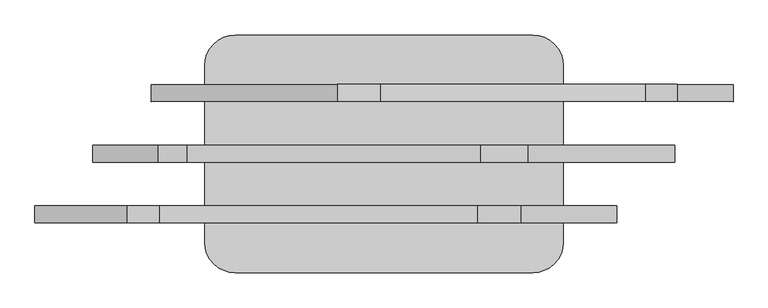
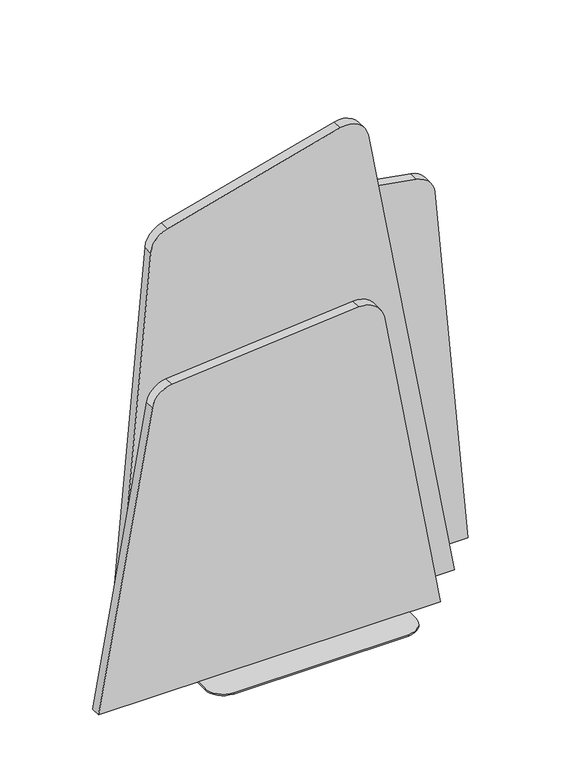
"""IFC4 building model written with IfcOpenShell, lengths in millimetres: furniture geometry."""

from ifc_helpers import new_model, si_unit, point, frame, frame_2d, origin, place, context, project, spatial, polyline, circle_curve, trimmed, segment, composite_curve, outline, extrude, source, transform, mapped, element, save
from ifc_brep_helpers import plane_surface, cylinder_surface, revolved_surface, advanced_brep


def furniture_4a550772(model_context):
    return source(origin(), model_context, "Body", "SolidModel", [
        advanced_brep(
        [(837.7108981, 245.1199219, 4.9986721), (224.7108634, 245.1199219, 4.9986721), (161.2108634, 181.6199219, 4.9986721), (161.2108634, -181.6199219, 4.9986721), (224.7108634, -245.1199219, 4.9986721), (837.7108981, -245.1199219, 4.9986721), (901.2108981, -181.6199219, 4.9986721), (901.2108981, 181.6199219, 4.9986721), (837.7108981, 245.1199219, 0.0), (901.2108981, 181.6199219, 0.0), (901.2108981, -181.6199219, 0.0), (837.7108981, -245.1199219, 0.0), (224.7108634, -245.1199219, 0.0), (161.2108634, -181.6199219, 0.0), (161.2108634, 181.6199219, 0.0), (224.7108634, 245.1199219, 0.0), (297.2534917, 124.9425155, 0.0), (284.5534917, 124.9425155, 0.0), (777.6735671, 124.9425155, 0.0), (764.9735671, 124.9425155, 0.0), (657.0235671, 124.9425155, 0.0), (644.3235671, 124.9425155, 0.0), (417.9034917, 124.9425155, 0.0), (405.2034917, 124.9425155, 0.0), (537.4635294, 124.9425155, 0.0), (524.7635294, 124.9425155, 0.0), (297.4896561, 0.6579051, 0.0), (284.7896561, 0.6579051, 0.0), (777.9097315, 0.6579051, 0.0), (765.2097315, 0.6579051, 0.0), (657.2597315, 0.6579051, 0.0), (644.5597315, 0.6579051, 0.0), (418.1396561, 0.6579051, 0.0), (405.4396561, 0.6579051, 0.0), (537.6996938, 0.6579051, 0.0), (524.9996938, 0.6579051, 0.0), (297.4896561, -125.0413614, 0.0), (284.7896561, -125.0413614, 0.0), (777.9097315, -125.0413614, 0.0), (765.2097315, -125.0413614, 0.0), (657.2597315, -125.0413614, 0.0), (644.5597315, -125.0413614, 0.0), (418.1396561, -125.0413614, 0.0), (405.4396561, -125.0413614, 0.0), (537.6996938, -125.0413614, 0.0), (524.9996938, -125.0413614, 0.0), (297.2534917, 124.9425155, 3.0348604), (284.5534917, 124.9425155, 3.0348604), (777.6735671, 124.9425155, 3.0348604), (764.9735671, 124.9425155, 3.0348604), (657.0235671, 124.9425155, 3.0348604), (644.3235671, 124.9425155, 3.0348604), (417.9034917, 124.9425155, 3.0348604), (405.2034917, 124.9425155, 3.0348604), (537.4635294, 124.9425155, 3.0348604), (524.7635294, 124.9425155, 3.0348604), (297.4896561, 0.6579051, 3.0348604), (284.7896561, 0.6579051, 3.0348604), (777.9097315, 0.6579051, 3.0348604), (765.2097315, 0.6579051, 3.0348604), (657.2597315, 0.6579051, 3.0348604), (644.5597315, 0.6579051, 3.0348604), (418.1396561, 0.6579051, 3.0348604), (405.4396561, 0.6579051, 3.0348604), (537.6996938, 0.6579051, 3.0348604), (524.9996938, 0.6579051, 3.0348604), (297.4896561, -125.0413614, 3.0348604), (284.7896561, -125.0413614, 3.0348604), (777.9097315, -125.0413614, 3.0348604), (765.2097315, -125.0413614, 3.0348604), (657.2597315, -125.0413614, 3.0348604), (644.5597315, -125.0413614, 3.0348604), (418.1396561, -125.0413614, 3.0348604), (405.4396561, -125.0413614, 3.0348604), (537.6996938, -125.0413614, 3.0348604), (524.9996938, -125.0413614, 3.0348604)],
        [
            (0, 1),
            (1, 2, circle_curve(frame((224.7108634, 181.6199219, 4.9986721), z_axis=(0.0, 0.0, 1.0), x_axis=(-1.0, 0.0, 0.0)), 63.5)),
            (2, 3),
            (3, 4, circle_curve(frame((224.7108634, -181.6199219, 4.9986721), z_axis=(0.0, 0.0, 1.0), x_axis=(-1.0, 0.0, 0.0)), 63.5)),
            (4, 5),
            (5, 6, circle_curve(frame((837.7108981, -181.6199219, 4.9986721), z_axis=(0.0, 0.0, 1.0), x_axis=(-1.0, 0.0, 0.0)), 63.5)),
            (6, 7),
            (7, 0, circle_curve(frame((837.7108981, 181.6199219, 4.9986721), z_axis=(0.0, 0.0, 1.0), x_axis=(-1.0, 0.0, 0.0)), 63.5)),
            (8, 9, circle_curve(frame((837.7108981, 181.6199219, 0.0), z_axis=(0.0, 0.0, -1.0), x_axis=(-1.0, 0.0, 0.0)), 63.5)),
            (9, 10),
            (10, 11, circle_curve(frame((837.7108981, -181.6199219, 0.0), z_axis=(0.0, 0.0, -1.0), x_axis=(-1.0, 0.0, 0.0)), 63.5)),
            (11, 12),
            (12, 13, circle_curve(frame((224.7108634, -181.6199219, 0.0), z_axis=(0.0, 0.0, -1.0), x_axis=(-1.0, 0.0, 0.0)), 63.5)),
            (13, 14),
            (14, 15, circle_curve(frame((224.7108634, 181.6199219, 0.0), z_axis=(0.0, 0.0, -1.0), x_axis=(-1.0, 0.0, 0.0)), 63.5)),
            (15, 8),
            (16, 17, circle_curve(frame((290.9034917, 124.9425155, 0.0), z_axis=(0.0, 0.0, 1.0), x_axis=(-1.0, 0.0, 0.0)), 6.35)),
            (17, 16, circle_curve(frame((290.9034917, 124.9425155, 0.0), z_axis=(0.0, 0.0, 1.0), x_axis=(-1.0, 0.0, 0.0)), 6.35)),
            (18, 19, circle_curve(frame((771.3235671, 124.9425155, 0.0), z_axis=(0.0, 0.0, 1.0), x_axis=(-1.0, 0.0, 0.0)), 6.35)),
            (19, 18, circle_curve(frame((771.3235671, 124.9425155, 0.0), z_axis=(0.0, 0.0, 1.0), x_axis=(-1.0, 0.0, 0.0)), 6.35)),
            (20, 21, circle_curve(frame((650.6735671, 124.9425155, 0.0), z_axis=(0.0, 0.0, 1.0), x_axis=(-1.0, 0.0, 0.0)), 6.35)),
            (21, 20, circle_curve(frame((650.6735671, 124.9425155, 0.0), z_axis=(0.0, 0.0, 1.0), x_axis=(-1.0, 0.0, 0.0)), 6.35)),
            (22, 23, circle_curve(frame((411.5534917, 124.9425155, 0.0), z_axis=(0.0, 0.0, 1.0), x_axis=(-1.0, 0.0, 0.0)), 6.35)),
            (23, 22, circle_curve(frame((411.5534917, 124.9425155, 0.0), z_axis=(0.0, 0.0, 1.0), x_axis=(-1.0, 0.0, 0.0)), 6.35)),
            (24, 25, circle_curve(frame((531.1135294, 124.9425155, 0.0), z_axis=(0.0, 0.0, 1.0), x_axis=(-1.0, 0.0, 0.0)), 6.35)),
            (25, 24, circle_curve(frame((531.1135294, 124.9425155, 0.0), z_axis=(0.0, 0.0, 1.0), x_axis=(-1.0, 0.0, 0.0)), 6.35)),
            (26, 27, circle_curve(frame((291.1396561, 0.6579051, 0.0), z_axis=(0.0, 0.0, 1.0), x_axis=(-1.0, 0.0, 0.0)), 6.35)),
            (27, 26, circle_curve(frame((291.1396561, 0.6579051, 0.0), z_axis=(0.0, 0.0, 1.0), x_axis=(-1.0, 0.0, 0.0)), 6.35)),
            (28, 29, circle_curve(frame((771.5597315, 0.6579051, 0.0), z_axis=(0.0, 0.0, 1.0), x_axis=(-1.0, 0.0, 0.0)), 6.35)),
            (29, 28, circle_curve(frame((771.5597315, 0.6579051, 0.0), z_axis=(0.0, 0.0, 1.0), x_axis=(-1.0, 0.0, 0.0)), 6.35)),
            (30, 31, circle_curve(frame((650.9097315, 0.6579051, 0.0), z_axis=(0.0, 0.0, 1.0), x_axis=(-1.0, 0.0, 0.0)), 6.35)),
            (31, 30, circle_curve(frame((650.9097315, 0.6579051, 0.0), z_axis=(0.0, 0.0, 1.0), x_axis=(-1.0, 0.0, 0.0)), 6.35)),
            (32, 33, circle_curve(frame((411.7896561, 0.6579051, 0.0), z_axis=(0.0, 0.0, 1.0), x_axis=(-1.0, 0.0, 0.0)), 6.35)),
            (33, 32, circle_curve(frame((411.7896561, 0.6579051, 0.0), z_axis=(0.0, 0.0, 1.0), x_axis=(-1.0, 0.0, 0.0)), 6.35)),
            (34, 35, circle_curve(frame((531.3496938, 0.6579051, 0.0), z_axis=(0.0, 0.0, 1.0), x_axis=(-1.0, 0.0, 0.0)), 6.35)),
            (35, 34, circle_curve(frame((531.3496938, 0.6579051, 0.0), z_axis=(0.0, 0.0, 1.0), x_axis=(-1.0, 0.0, 0.0)), 6.35)),
            (36, 37, circle_curve(frame((291.1396561, -125.0413614, 0.0), z_axis=(0.0, 0.0, 1.0), x_axis=(-1.0, 0.0, 0.0)), 6.35)),
            (37, 36, circle_curve(frame((291.1396561, -125.0413614, 0.0), z_axis=(0.0, 0.0, 1.0), x_axis=(-1.0, 0.0, 0.0)), 6.35)),
            (38, 39, circle_curve(frame((771.5597315, -125.0413614, 0.0), z_axis=(0.0, 0.0, 1.0), x_axis=(-1.0, 0.0, 0.0)), 6.35)),
            (39, 38, circle_curve(frame((771.5597315, -125.0413614, 0.0), z_axis=(0.0, 0.0, 1.0), x_axis=(-1.0, 0.0, 0.0)), 6.35)),
            (40, 41, circle_curve(frame((650.9097315, -125.0413614, 0.0), z_axis=(0.0, 0.0, 1.0), x_axis=(-1.0, 0.0, 0.0)), 6.35)),
            (41, 40, circle_curve(frame((650.9097315, -125.0413614, 0.0), z_axis=(0.0, 0.0, 1.0), x_axis=(-1.0, 0.0, 0.0)), 6.35)),
            (42, 43, circle_curve(frame((411.7896561, -125.0413614, 0.0), z_axis=(0.0, 0.0, 1.0), x_axis=(-1.0, 0.0, 0.0)), 6.35)),
            (43, 42, circle_curve(frame((411.7896561, -125.0413614, 0.0), z_axis=(0.0, 0.0, 1.0), x_axis=(-1.0, 0.0, 0.0)), 6.35)),
            (44, 45, circle_curve(frame((531.3496938, -125.0413614, 0.0), z_axis=(0.0, 0.0, 1.0), x_axis=(-1.0, 0.0, 0.0)), 6.35)),
            (45, 44, circle_curve(frame((531.3496938, -125.0413614, 0.0), z_axis=(0.0, 0.0, 1.0), x_axis=(-1.0, 0.0, 0.0)), 6.35)),
            (0, 8),
            (15, 1),
            (14, 2),
            (13, 3),
            (12, 4),
            (11, 5),
            (10, 6),
            (9, 7),
            (46, 47, circle_curve(frame((290.9034917, 124.9425155, 3.0348604), z_axis=(0.0, 0.0, -1.0), x_axis=(-1.0, 0.0, 0.0)), 6.35)),
            (47, 46, circle_curve(frame((290.9034917, 124.9425155, 3.0348604), z_axis=(0.0, 0.0, -1.0), x_axis=(-1.0, 0.0, 0.0)), 6.35)),
            (48, 49, circle_curve(frame((771.3235671, 124.9425155, 3.0348604), z_axis=(0.0, 0.0, -1.0), x_axis=(-1.0, 0.0, 0.0)), 6.35)),
            (49, 48, circle_curve(frame((771.3235671, 124.9425155, 3.0348604), z_axis=(0.0, 0.0, -1.0), x_axis=(-1.0, 0.0, 0.0)), 6.35)),
            (50, 51, circle_curve(frame((650.6735671, 124.9425155, 3.0348604), z_axis=(0.0, 0.0, -1.0), x_axis=(-1.0, 0.0, 0.0)), 6.35)),
            (51, 50, circle_curve(frame((650.6735671, 124.9425155, 3.0348604), z_axis=(0.0, 0.0, -1.0), x_axis=(-1.0, 0.0, 0.0)), 6.35)),
            (52, 53, circle_curve(frame((411.5534917, 124.9425155, 3.0348604), z_axis=(0.0, 0.0, -1.0), x_axis=(-1.0, 0.0, 0.0)), 6.35)),
            (53, 52, circle_curve(frame((411.5534917, 124.9425155, 3.0348604), z_axis=(0.0, 0.0, -1.0), x_axis=(-1.0, 0.0, 0.0)), 6.35)),
            (54, 55, circle_curve(frame((531.1135294, 124.9425155, 3.0348604), z_axis=(0.0, 0.0, -1.0), x_axis=(-1.0, 0.0, 0.0)), 6.35)),
            (55, 54, circle_curve(frame((531.1135294, 124.9425155, 3.0348604), z_axis=(0.0, 0.0, -1.0), x_axis=(-1.0, 0.0, 0.0)), 6.35)),
            (56, 57, circle_curve(frame((291.1396561, 0.6579051, 3.0348604), z_axis=(0.0, 0.0, -1.0), x_axis=(-1.0, 0.0, 0.0)), 6.35)),
            (57, 56, circle_curve(frame((291.1396561, 0.6579051, 3.0348604), z_axis=(0.0, 0.0, -1.0), x_axis=(-1.0, 0.0, 0.0)), 6.35)),
            (58, 59, circle_curve(frame((771.5597315, 0.6579051, 3.0348604), z_axis=(0.0, 0.0, -1.0), x_axis=(-1.0, 0.0, 0.0)), 6.35)),
            (59, 58, circle_curve(frame((771.5597315, 0.6579051, 3.0348604), z_axis=(0.0, 0.0, -1.0), x_axis=(-1.0, 0.0, 0.0)), 6.35)),
            (60, 61, circle_curve(frame((650.9097315, 0.6579051, 3.0348604), z_axis=(0.0, 0.0, -1.0), x_axis=(-1.0, 0.0, 0.0)), 6.35)),
            (61, 60, circle_curve(frame((650.9097315, 0.6579051, 3.0348604), z_axis=(0.0, 0.0, -1.0), x_axis=(-1.0, 0.0, 0.0)), 6.35)),
            (62, 63, circle_curve(frame((411.7896561, 0.6579051, 3.0348604), z_axis=(0.0, 0.0, -1.0), x_axis=(-1.0, 0.0, 0.0)), 6.35)),
            (63, 62, circle_curve(frame((411.7896561, 0.6579051, 3.0348604), z_axis=(0.0, 0.0, -1.0), x_axis=(-1.0, 0.0, 0.0)), 6.35)),
            (64, 65, circle_curve(frame((531.3496938, 0.6579051, 3.0348604), z_axis=(0.0, 0.0, -1.0), x_axis=(-1.0, 0.0, 0.0)), 6.35)),
            (65, 64, circle_curve(frame((531.3496938, 0.6579051, 3.0348604), z_axis=(0.0, 0.0, -1.0), x_axis=(-1.0, 0.0, 0.0)), 6.35)),
            (66, 67, circle_curve(frame((291.1396561, -125.0413614, 3.0348604), z_axis=(0.0, 0.0, -1.0), x_axis=(-1.0, 0.0, 0.0)), 6.35)),
            (67, 66, circle_curve(frame((291.1396561, -125.0413614, 3.0348604), z_axis=(0.0, 0.0, -1.0), x_axis=(-1.0, 0.0, 0.0)), 6.35)),
            (68, 69, circle_curve(frame((771.5597315, -125.0413614, 3.0348604), z_axis=(0.0, 0.0, -1.0), x_axis=(-1.0, 0.0, 0.0)), 6.35)),
            (69, 68, circle_curve(frame((771.5597315, -125.0413614, 3.0348604), z_axis=(0.0, 0.0, -1.0), x_axis=(-1.0, 0.0, 0.0)), 6.35)),
            (70, 71, circle_curve(frame((650.9097315, -125.0413614, 3.0348604), z_axis=(0.0, 0.0, -1.0), x_axis=(-1.0, 0.0, 0.0)), 6.35)),
            (71, 70, circle_curve(frame((650.9097315, -125.0413614, 3.0348604), z_axis=(0.0, 0.0, -1.0), x_axis=(-1.0, 0.0, 0.0)), 6.35)),
            (72, 73, circle_curve(frame((411.7896561, -125.0413614, 3.0348604), z_axis=(0.0, 0.0, -1.0), x_axis=(-1.0, 0.0, 0.0)), 6.35)),
            (73, 72, circle_curve(frame((411.7896561, -125.0413614, 3.0348604), z_axis=(0.0, 0.0, -1.0), x_axis=(-1.0, 0.0, 0.0)), 6.35)),
            (74, 75, circle_curve(frame((531.3496938, -125.0413614, 3.0348604), z_axis=(0.0, 0.0, -1.0), x_axis=(-1.0, 0.0, 0.0)), 6.35)),
            (75, 74, circle_curve(frame((531.3496938, -125.0413614, 3.0348604), z_axis=(0.0, 0.0, -1.0), x_axis=(-1.0, 0.0, 0.0)), 6.35)),
            (47, 17),
            (16, 46),
            (49, 19),
            (18, 48),
            (51, 21),
            (20, 50),
            (53, 23),
            (22, 52),
            (55, 25),
            (24, 54),
            (57, 27),
            (26, 56),
            (59, 29),
            (28, 58),
            (61, 31),
            (30, 60),
            (63, 33),
            (32, 62),
            (65, 35),
            (34, 64),
            (67, 37),
            (36, 66),
            (69, 39),
            (38, 68),
            (71, 41),
            (40, 70),
            (73, 43),
            (42, 72),
            (75, 45),
            (44, 74),
        ],
        [
            plane_surface(frame((224.7108634, 245.1199219, 4.9986721), z_axis=(0.0, 0.0, 1.0), x_axis=(-1.0, 0.0, 0.0))),
            plane_surface(frame((224.7108634, 245.1199219, 0.0), z_axis=(0.0, 0.0, -1.0), x_axis=(1.0, 0.0, 0.0))),
            plane_surface(frame((837.7108981, 245.1199219, 4.9986721), z_axis=(0.0, 1.0, 0.0), x_axis=(0.0, 0.0, -1.0))),
            cylinder_surface(frame((224.7108634, 181.6199219, 0.0), z_axis=(0.0, 0.0, 1.0), x_axis=(-1.0, 0.0, 0.0)), 63.5),
            plane_surface(frame((161.2108634, 181.6199219, 4.9986721), z_axis=(-1.0, 0.0, 0.0), x_axis=(0.0, 0.0, -1.0))),
            cylinder_surface(frame((224.7108634, -181.6199219, 0.0), z_axis=(0.0, 0.0, 1.0), x_axis=(-1.0, 0.0, 0.0)), 63.5),
            plane_surface(frame((224.7108634, -245.1199219, 4.9986721), z_axis=(0.0, -1.0, 0.0), x_axis=(0.0, 0.0, -1.0))),
            cylinder_surface(frame((837.7108981, -181.6199219, 0.0), z_axis=(0.0, 0.0, 1.0), x_axis=(-1.0, 0.0, 0.0)), 63.5),
            plane_surface(frame((901.2108981, -181.6199219, 4.9986721), z_axis=(1.0, 0.0, 0.0), x_axis=(0.0, 0.0, -1.0))),
            cylinder_surface(frame((837.7108981, 181.6199219, 0.0), z_axis=(0.0, 0.0, 1.0), x_axis=(-1.0, 0.0, 0.0)), 63.5),
            plane_surface(frame((284.5534917, 124.9425155, 3.0348604), z_axis=(0.0, 0.0, -1.0), x_axis=(0.0, -1.0, 0.0))),
            revolved_surface(polyline([(284.5534917, 124.9425155, 3.0348603999999995), (284.5534917, 124.9425155, 0.0)]), (290.9034917, 124.9425155, -21.0018448), (0.0, 0.0, 1.0)),
            revolved_surface(polyline([(764.9735671, 124.9425155, 3.0348603999999995), (764.9735671, 124.9425155, 0.0)]), (771.3235671, 124.9425155, 10.0140625), (0.0, 0.0, 1.0)),
            revolved_surface(polyline([(644.3235671, 124.9425155, 3.0348603999999995), (644.3235671, 124.9425155, 0.0)]), (650.6735671, 124.9425155, 10.0140625), (0.0, 0.0, 1.0)),
            revolved_surface(polyline([(405.2034917, 124.9425155, 3.0348603999999995), (405.2034917, 124.9425155, 0.0)]), (411.5534917, 124.9425155, 10.0140625), (0.0, 0.0, 1.0)),
            revolved_surface(polyline([(524.7635293999999, 124.9425155, 3.0348603999999995), (524.7635293999999, 124.9425155, 0.0)]), (531.1135294, 124.9425155, 10.0140625), (0.0, 0.0, 1.0)),
            revolved_surface(polyline([(284.7896561, 0.6579051, 3.0348603999999995), (284.7896561, 0.6579051, 0.0)]), (291.1396561, 0.6579051, 10.0140625), (0.0, 0.0, 1.0)),
            revolved_surface(polyline([(765.2097315, 0.6579051, 3.0348603999999995), (765.2097315, 0.6579051, 0.0)]), (771.5597315, 0.6579051, 10.0140625), (0.0, 0.0, 1.0)),
            revolved_surface(polyline([(644.5597315, 0.6579051, 3.0348603999999995), (644.5597315, 0.6579051, 0.0)]), (650.9097315, 0.6579051, 10.0140625), (0.0, 0.0, 1.0)),
            revolved_surface(polyline([(405.4396561, 0.6579051, 3.0348603999999995), (405.4396561, 0.6579051, 0.0)]), (411.7896561, 0.6579051, 10.0140625), (0.0, 0.0, 1.0)),
            revolved_surface(polyline([(524.9996937999999, 0.6579051, 3.0348603999999995), (524.9996937999999, 0.6579051, 0.0)]), (531.3496938, 0.6579051, 10.0140625), (0.0, 0.0, 1.0)),
            revolved_surface(polyline([(284.7896561, -125.0413614, 3.0348603999999995), (284.7896561, -125.0413614, 0.0)]), (291.1396561, -125.0413614, 10.0140625), (0.0, 0.0, 1.0)),
            revolved_surface(polyline([(765.2097315, -125.0413614, 3.0348603999999995), (765.2097315, -125.0413614, 0.0)]), (771.5597315, -125.0413614, 10.0140625), (0.0, 0.0, 1.0)),
            revolved_surface(polyline([(644.5597315, -125.0413614, 3.0348603999999995), (644.5597315, -125.0413614, 0.0)]), (650.9097315, -125.0413614, 10.0140625), (0.0, 0.0, 1.0)),
            revolved_surface(polyline([(405.4396561, -125.0413614, 3.0348603999999995), (405.4396561, -125.0413614, 0.0)]), (411.7896561, -125.0413614, 10.0140625), (0.0, 0.0, 1.0)),
            revolved_surface(polyline([(524.9996937999999, -125.0413614, 3.0348603999999995), (524.9996937999999, -125.0413614, 0.0)]), (531.3496938, -125.0413614, 10.0140625), (0.0, 0.0, 1.0)),
        ],
        [
            (0, [[1, 2, 3, 4, 5, 6, 7, 8]]),
            (1, [[9, 10, 11, 12, 13, 14, 15, 16], [17, 18], [19, 20], [21, 22], [23, 24], [25, 26], [27, 28], [29, 30], [31, 32], [33, 34], [35, 36], [37, 38], [39, 40], [41, 42], [43, 44], [45, 46]]),
            (2, [[-1, 47, -16, 48]]),
            (3, [[-2, -48, -15, 49]]),
            (4, [[-3, -49, -14, 50]]),
            (5, [[-4, -50, -13, 51]]),
            (6, [[-5, -51, -12, 52]]),
            (7, [[-6, -52, -11, 53]]),
            (8, [[-7, -53, -10, 54]]),
            (9, [[-8, -54, -9, -47]]),
            (10, [[55, 56]]),
            (10, [[57, 58]]),
            (10, [[59, 60]]),
            (10, [[61, 62]]),
            (10, [[63, 64]]),
            (10, [[65, 66]]),
            (10, [[67, 68]]),
            (10, [[69, 70]]),
            (10, [[71, 72]]),
            (10, [[73, 74]]),
            (10, [[75, 76]]),
            (10, [[77, 78]]),
            (10, [[79, 80]]),
            (10, [[81, 82]]),
            (10, [[83, 84]]),
            (11, [[-56, 85, -17, 86]]),
            (11, [[-55, -86, -18, -85]]),
            (12, [[-58, 87, -19, 88]]),
            (12, [[-57, -88, -20, -87]]),
            (13, [[-60, 89, -21, 90]]),
            (13, [[-59, -90, -22, -89]]),
            (14, [[-62, 91, -23, 92]]),
            (14, [[-61, -92, -24, -91]]),
            (15, [[-64, 93, -25, 94]]),
            (15, [[-63, -94, -26, -93]]),
            (16, [[-66, 95, -27, 96]]),
            (16, [[-65, -96, -28, -95]]),
            (17, [[-68, 97, -29, 98]]),
            (17, [[-67, -98, -30, -97]]),
            (18, [[-70, 99, -31, 100]]),
            (18, [[-69, -100, -32, -99]]),
            (19, [[-72, 101, -33, 102]]),
            (19, [[-71, -102, -34, -101]]),
            (20, [[-74, 103, -35, 104]]),
            (20, [[-73, -104, -36, -103]]),
            (21, [[-76, 105, -37, 106]]),
            (21, [[-75, -106, -38, -105]]),
            (22, [[-78, 107, -39, 108]]),
            (22, [[-77, -108, -40, -107]]),
            (23, [[-80, 109, -41, 110]]),
            (23, [[-79, -110, -42, -109]]),
            (24, [[-82, 111, -43, 112]]),
            (24, [[-81, -112, -44, -111]]),
            (25, [[-84, 113, -45, 114]]),
            (25, [[-83, -114, -46, -113]]),
        ],
    ),
        extrude(outline(composite_curve([segment(polyline([(1782.3946029, 729.6934154), (1620.439511, 125.0036891)]), True, "CONTINUOUS"), segment(trimmed(circle_curve(frame_2d((1543.2796336, 145.6786159)), 79.8817831), [point((1620.439511, 125.0036891))], [point((1550.2417898, 66.1008071))], False, "CARTESIAN"), True, "CONTINUOUS"), segment(polyline([(1550.2417898, 66.1008071), (4.9986721, -69.0904481), (4.9986721, 1130.9390555), (1719.1954698, 828.8961831)]), True, "CONTINUOUS"), segment(trimmed(circle_curve(frame_2d((1705.3437421, 750.3391313)), 79.7689209), [point((1719.1954698, 828.8961831))], [point((1782.3946029, 729.6934154))], False, "CARTESIAN"), True, "CONTINUOUS")], self_intersect=False)), frame((0.0, -16.989355, 0.0), z_axis=(0.0, 1.0, 0.0), x_axis=(0.0, 0.0, 1.0)), (0.0, 0.0, 1.0), 35.0423855),
        extrude(outline(composite_curve([segment(polyline([(1435.0212822, 434.3612639), (4.9986721, 50.922766), (4.9986721, 1250.9455606), (1325.1314453, 1135.4489086)]), True, "CONTINUOUS"), segment(trimmed(circle_curve(frame_2d((1318.2482996, 1056.7741932)), 78.9752401), [point((1325.1314453, 1135.4489086))], [point((1396.0237284, 1070.4880997))], False, "CARTESIAN"), True, "CONTINUOUS"), segment(polyline([(1396.0237284, 1070.4880997), (1492.3585092, 524.362682)]), True, "CONTINUOUS"), segment(trimmed(circle_curve(frame_2d((1414.5802393, 510.6482746)), 78.978125), [point((1492.3585092, 524.362682))], [point((1435.0212822, 434.3612639))], False, "CARTESIAN"), True, "CONTINUOUS")], self_intersect=False)), frame((0.0, 108.0106425, 0.0), z_axis=(0.0, 1.0, 0.0), x_axis=(0.0, 0.0, 1.0)), (0.0, 0.0, 1.0), 35.0423923),
        extrude(outline(composite_curve([segment(polyline([(4.9986721, 1010.5736144), (1128.3589795, 812.7111564)]), True, "CONTINUOUS"), segment(trimmed(circle_curve(frame_2d((1114.0243225, 731.4152764)), 82.55), [point((1128.3589795, 812.7111564))], [point((1196.2601948, 724.2205698))], False, "CARTESIAN"), True, "CONTINUOUS"), segment(polyline([(1196.2601948, 724.2205698), (1138.9215662, 68.5719512)]), True, "CONTINUOUS"), segment(trimmed(circle_curve(frame_2d((1063.0115302, 75.2132188)), 76.2), [point((1138.9215662, 68.5719512))], [point((1076.2435213, 0.170868))], False, "CARTESIAN"), True, "CONTINUOUS"), segment(polyline([(1076.2435213, 0.170868), (4.9986721, -188.7185019), (4.9986721, 1010.5736144)]), True, "CONTINUOUS")], self_intersect=False)), frame((0.0, -141.9893594, 0.0), z_axis=(0.0, 1.0, 0.0), x_axis=(0.0, 0.0, 1.0)), (0.0, 0.0, 1.0), 35.0423923),
    ])


if __name__ == "__main__":
    model = new_model("IFC4")
    model_context = context("Model", 3, world=origin())
    ifc_project = project(units=[si_unit("LENGTHUNIT", "METRE", prefix="MILLI")], contexts=[model_context])
    site = spatial("IfcSite", under=ifc_project)
    building = spatial("IfcBuilding", under=site)
    placement = place(None, origin())
    furniture_shape = furniture_4a550772(model_context)
    element("IfcFurniture", 1, at=placement, inside=building, context=model_context, shape_type="MappedRepresentation", body=[
        mapped(furniture_shape, transform((0.0, 0.0, 0.0), x_axis=(1.0, 0.0, 0.0), y_axis=(0.0, 1.0, 0.0), z_axis=(0.0, 0.0, 1.0))),
    ])
    save(model, "model.ifc")
